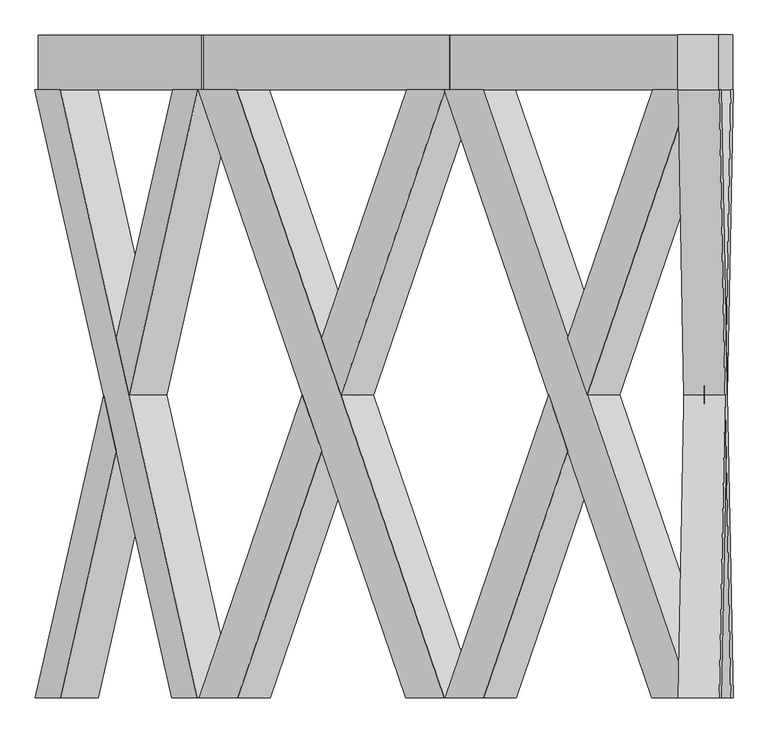
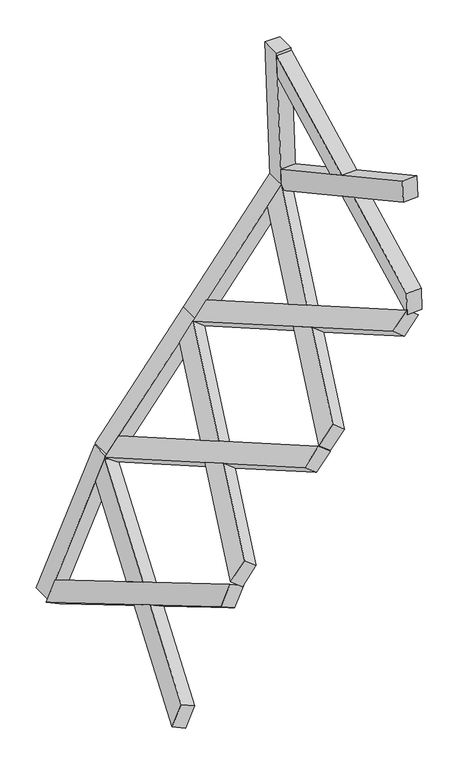
"""IFC4 building model written with IfcOpenShell, lengths in millimetres: proxy geometry."""

from ifc_helpers import new_model, si_unit, frame, origin, place, context, project, spatial, polyline, outline, extrude, faceted_brep, source, transform, mapped, element, save


def generic_models_7ff13b44(model_context):
    return source(origin(), model_context, "Body", "SolidModel", [
        faceted_brep([(2416.5486742, -100.0, 5068.4145402), (2459.4886942, -2319.6837757, 3838.7732528), (2467.4691905, -2319.6837757, 3610.2417393), (2424.5291705, -100.0, 4839.8830267), (2317.5605664, -2319.6837757, 3605.0068148), (2309.5800701, -2319.6837757, 3833.5383283), (2292.1830471, -1420.3854116, 4331.7238854), (2296.1732953, -1214.1188776, 4217.4581286), (2266.6400502, -100.0, 5063.1796157), (2274.6205465, -100.0, 4834.6481022), (2292.1830471, -1007.8523437, 4331.7238854), (2288.192799, -1214.1188776, 4445.9896421), (2371.1276073, -1214.1188776, 4220.0755909), (2367.1373591, -1007.8523437, 4334.3413476), (2363.147111, -1214.1188776, 4448.6071043), (2367.1373591, -1420.3854116, 4334.3413476)], [[[0, 1, 2, 3]], [[4, 5, 6, 7]], [[8, 9, 10, 11]], [[0, 3, 9, 8]], [[3, 2, 4, 7, 12, 13, 10, 9]], [[2, 1, 5, 4]], [[1, 0, 8, 11, 14, 15, 6, 5]], [[12, 15, 14, 13]], [[13, 14, 11, 10]], [[15, 12, 7, 6]]]),
        faceted_brep([(2467.6346681, -100.0, 3605.5030795), (2459.6541718, -100.0, 3834.034593), (2442.0916712, -1007.8523437, 4336.9588099), (2446.0819193, -1214.1188776, 4222.6930531), (2416.7141519, -2319.6837757, 5063.6758804), (2424.6946482, -2319.6837757, 4835.1443669), (2442.0916712, -1420.3854116, 4336.9588099), (2438.101423, -1214.1188776, 4451.2245666), (2317.7260441, -100.0, 3600.268155), (2274.7860241, -2319.6837757, 4829.9094424), (2266.8055278, -2319.6837757, 5058.4409559), (2309.7455478, -100.0, 3828.7996685), (2363.147111, -1214.1188776, 4448.6071043), (2367.1373591, -1007.8523437, 4334.3413476), (2371.1276073, -1214.1188776, 4220.0755909), (2367.1373591, -1420.3854116, 4334.3413476)], [[[0, 1, 2, 3]], [[4, 5, 6, 7]], [[8, 9, 10, 11]], [[1, 0, 8, 11]], [[11, 10, 4, 7, 12, 13, 2, 1]], [[5, 4, 10, 9]], [[9, 8, 0, 3, 14, 15, 6, 5]], [[12, 15, 14, 13]], [[13, 14, 3, 2]], [[15, 12, 7, 6]]]),
        extrude(outline(polyline([(-148.3871943, 0.0), (-148.3871943, -150.0), (-348.3871943, -150.0), (-348.3871943, 0.0), (-148.3871943, 0.0)])), frame((2466.5213189, -248.3871943, 3637.3852309), z_axis=(-0.03489949670249625, 0.0, 0.9993908270190959), x_axis=(0.0, -1.0, 0.0)), (0.0, 0.0, 1.0), 1460.0),
        faceted_brep([(2433.3687018, -100.0, 3566.4513049), (1675.8644815, -2319.6837757, 2596.8901169), (1535.0806711, -2319.6837757, 2416.6950567), (2292.5848913, -100.0, 3386.2562448), (1416.879058, -2319.6837757, 2509.044278), (1557.6628685, -2319.6837757, 2689.2393382), (1864.5634791, -1420.3854116, 3082.0542066), (1794.1715738, -1214.1188776, 2991.9566765), (2315.1670887, -100.0, 3658.8005262), (2174.3832783, -100.0, 3478.6054661), (1864.5634791, -1007.8523437, 3082.0542066), (1934.9553843, -1214.1188776, 3172.1517367), (1853.2723804, -1214.1188776, 2945.7820659), (1923.6642856, -1007.8523437, 3035.8795959), (1994.0561908, -1214.1188776, 3125.977126), (1923.6642856, -1420.3854116, 3035.8795959)], [[[0, 1, 2, 3]], [[4, 5, 6, 7]], [[8, 9, 10, 11]], [[0, 3, 9, 8]], [[3, 2, 4, 7, 12, 13, 10, 9]], [[2, 1, 5, 4]], [[1, 0, 8, 11, 14, 15, 6, 5]], [[12, 15, 14, 13]], [[13, 14, 11, 10]], [[15, 12, 7, 6]]]),
        faceted_brep([(1532.1614825, -100.0, 2412.9586657), (1672.9452929, -100.0, 2593.1537258), (1982.7650921, -1007.8523437, 2989.7049853), (1912.3731869, -1214.1188776, 2899.6074552), (2430.4495132, -2319.6837757, 3562.7149139), (2289.6657027, -2319.6837757, 3382.5198537), (1982.7650921, -1420.3854116, 2989.7049853), (2053.1569973, -1214.1188776, 3079.8025154), (1413.9598694, -100.0, 2505.307887), (2171.4640897, -2319.6837757, 3474.869075), (2312.2479001, -2319.6837757, 3655.0641352), (1554.7436799, -100.0, 2685.5029471), (1994.0561908, -1214.1188776, 3125.977126), (1923.6642856, -1007.8523437, 3035.8795959), (1853.2723804, -1214.1188776, 2945.7820659), (1923.6642856, -1420.3854116, 3035.8795959)], [[[0, 1, 2, 3]], [[4, 5, 6, 7]], [[8, 9, 10, 11]], [[1, 0, 8, 11]], [[11, 10, 4, 7, 12, 13, 2, 1]], [[5, 4, 10, 9]], [[9, 8, 0, 3, 14, 15, 6, 5]], [[12, 15, 14, 13]], [[13, 14, 3, 2]], [[15, 12, 7, 6]]]),
        extrude(outline(polyline([(-148.3871943, 0.0), (-148.3871943, -150.0), (-348.3871943, -150.0), (-348.3871943, 0.0), (-148.3871943, 0.0)])), frame((1551.8020594, -248.3871943, 2438.0974578), z_axis=(0.6156614753256613, 0.0, 0.7880107536067197), x_axis=(0.0, -1.0, 0.0)), (0.0, 0.0, 1.0), 1460.0),
        faceted_brep([(1534.5029478, -100.0, 2415.9556046), (776.9987276, -2319.6837757, 1446.3944166), (636.2149171, -2319.6837757, 1266.1993565), (1393.7191373, -100.0, 2235.7605445), (518.0133041, -2319.6837757, 1358.5485778), (658.7971145, -2319.6837757, 1538.7436379), (965.6977251, -1420.3854116, 1931.5585063), (895.3058199, -1214.1188776, 1841.4609763), (1416.3013347, -100.0, 2508.3048259), (1275.5175243, -100.0, 2328.1097658), (965.6977251, -1007.8523437, 1931.5585063), (1036.0896303, -1214.1188776, 2021.6560364), (954.4066264, -1214.1188776, 1795.2863656), (1024.7985316, -1007.8523437, 1885.3838957), (1095.1904368, -1214.1188776, 1975.4814257), (1024.7985316, -1420.3854116, 1885.3838957)], [[[0, 1, 2, 3]], [[4, 5, 6, 7]], [[8, 9, 10, 11]], [[0, 3, 9, 8]], [[3, 2, 4, 7, 12, 13, 10, 9]], [[2, 1, 5, 4]], [[1, 0, 8, 11, 14, 15, 6, 5]], [[12, 15, 14, 13]], [[13, 14, 11, 10]], [[15, 12, 7, 6]]]),
        faceted_brep([(633.2957285, -100.0, 1262.4629654), (774.0795389, -100.0, 1442.6580256), (1083.8993381, -1007.8523437, 1839.209285), (1013.5074329, -1214.1188776, 1749.111755), (1531.5837592, -2319.6837757, 2412.2192136), (1390.7999487, -2319.6837757, 2232.0241535), (1083.8993381, -1420.3854116, 1839.209285), (1154.2912434, -1214.1188776, 1929.3068151), (515.0941154, -100.0, 1354.8121867), (1272.5983357, -2319.6837757, 2324.3733748), (1413.3821461, -2319.6837757, 2504.5684349), (655.8779259, -100.0, 1535.0072469), (1095.1904368, -1214.1188776, 1975.4814257), (1024.7985316, -1007.8523437, 1885.3838957), (954.4066264, -1214.1188776, 1795.2863656), (1024.7985316, -1420.3854116, 1885.3838957)], [[[0, 1, 2, 3]], [[4, 5, 6, 7]], [[8, 9, 10, 11]], [[1, 0, 8, 11]], [[11, 10, 4, 7, 12, 13, 2, 1]], [[5, 4, 10, 9]], [[9, 8, 0, 3, 14, 15, 6, 5]], [[12, 15, 14, 13]], [[13, 14, 3, 2]], [[15, 12, 7, 6]]]),
        extrude(outline(polyline([(-148.3871943, 0.0), (-148.3871943, -150.0), (-348.3871943, -150.0), (-348.3871943, 0.0), (-148.3871943, 0.0)])), frame((652.9363054, -248.3871943, 1287.6017575), z_axis=(0.615661475325659, 0.0, 0.7880107536067216), x_axis=(0.0, -1.0, 0.0)), (0.0, 0.0, 1.0), 1460.0),
        faceted_brep([(650.9227532, -100.0, 1277.6019406), (150.4777262, -2319.6837757, 153.5840066), (57.4689271, -2319.6837757, -55.3171765), (557.9139542, -100.0, 1068.7007576), (-79.5628915, -2319.6837757, 5.69332), (13.4459076, -2319.6837757, 214.594503), (216.1997408, -1420.3854116, 669.9870686), (169.6953413, -1214.1188776, 565.5364771), (513.8909346, -100.0, 1338.612437), (420.8821355, -100.0, 1129.711254), (216.1997408, -1007.8523437, 669.9870686), (262.7041404, -1214.1188776, 774.4376601), (238.2112506, -1214.1188776, 535.0312288), (284.7156502, -1007.8523437, 639.4818203), (331.2200497, -1214.1188776, 743.9324119), (284.7156502, -1420.3854116, 639.4818203)], [[[0, 1, 2, 3]], [[4, 5, 6, 7]], [[8, 9, 10, 11]], [[0, 3, 9, 8]], [[3, 2, 4, 7, 12, 13, 10, 9]], [[2, 1, 5, 4]], [[1, 0, 8, 11, 14, 15, 6, 5]], [[12, 15, 14, 13]], [[13, 14, 11, 10]], [[15, 12, 7, 6]]]),
        faceted_brep([(55.5403657, -100.0, -59.6487963), (148.5491648, -100.0, 149.2523867), (353.2315595, -1007.8523437, 608.9765721), (306.7271599, -1214.1188776, 504.5259806), (648.9941918, -2319.6837757, 1273.2703207), (555.9853927, -2319.6837757, 1064.3691377), (353.2315595, -1420.3854116, 608.9765721), (399.735959, -1214.1188776, 713.4271636), (-81.4914529, -100.0, 1.3617001), (418.9535741, -2319.6837757, 1125.3796341), (511.9623732, -2319.6837757, 1334.2808172), (11.5173461, -100.0, 210.2628831), (331.2200497, -1214.1188776, 743.9324119), (284.7156502, -1007.8523437, 639.4818203), (238.2112506, -1214.1188776, 535.0312288), (284.7156502, -1420.3854116, 639.4818203)], [[[0, 1, 2, 3]], [[4, 5, 6, 7]], [[8, 9, 10, 11]], [[1, 0, 8, 11]], [[11, 10, 4, 7, 12, 13, 2, 1]], [[5, 4, 10, 9]], [[9, 8, 0, 3, 14, 15, 6, 5]], [[12, 15, 14, 13]], [[13, 14, 3, 2]], [[15, 12, 7, 6]]]),
        extrude(outline(polyline([(-148.3871943, 0.0), (-148.3871943, -149.9999999), (-348.3871943, -149.9999999), (-348.3871943, 0.0), (-148.3871943, 0.0)])), frame((68.5159093, -248.3871943, -30.5052482), z_axis=(0.40673664307580126, 0.0, 0.9135454576426005), x_axis=(0.0, -1.0, 0.0)), (0.0, 0.0, 1.0), 1460.0),
    ])


if __name__ == "__main__":
    model = new_model("IFC4")
    model_context = context("Model", 3, world=origin())
    ifc_project = project(units=[si_unit("LENGTHUNIT", "METRE", prefix="MILLI")], contexts=[model_context])
    site = spatial("IfcSite", under=ifc_project)
    building = spatial("IfcBuilding", under=site)
    placement = place(None, origin())
    generic_models_shape = generic_models_7ff13b44(model_context)
    element("IfcBuildingElementProxy", 1, Name="Generic Models", at=placement, inside=building, context=model_context, shape_type="MappedRepresentation", body=[
        mapped(generic_models_shape, transform((0.0, 0.0, 0.0), x_axis=(1.0, 0.0, 0.0), y_axis=(0.0, 1.0, 0.0), z_axis=(0.0, 0.0, 1.0))),
    ])
    save(model, "model.ifc")
